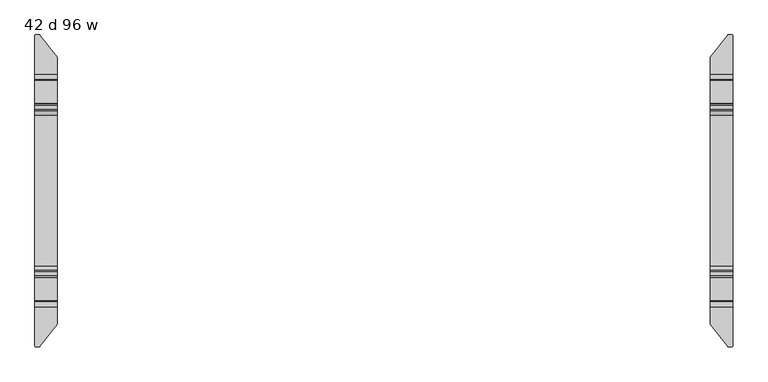
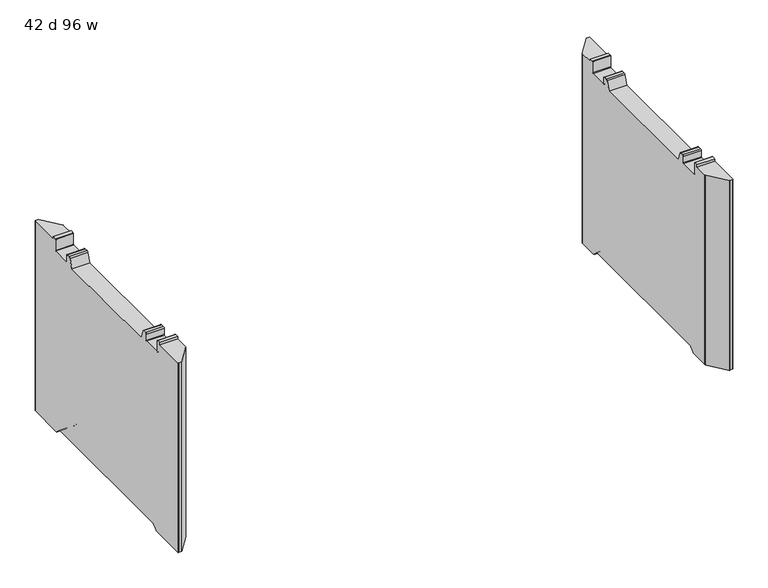
"""IFC4 building model written with IfcOpenShell, lengths in millimetres: furniture geometry, 42 d 96 w."""

from ifc_helpers import new_model, si_unit, frame, origin, place, context, project, spatial, polyline, circle_curve, source, transform, mapped, element, save
from ifc_brep_helpers import plane_surface, cylinder_surface, revolved_surface, advanced_brep


def furniture_42_d_96_w_686d7e6b(model_context):
    return source(origin(), model_context, "Body", "AdvancedBrep", [
        advanced_brep(
        [(-1170.3161014, 529.956006, 12.2237497), (-1168.6757746, 529.1624669, 12.2237497), (-1109.4991168, 454.41303, 12.2237497), (-1108.9789661, 452.9179953, 12.2237497), (-1108.9789661, 371.1587399, 12.2237497), (-1185.1632694, 371.1587399, 12.2237497), (-1185.1632694, 528.3791145, 12.2237497), (-1183.5863779, 529.956006, 12.2237497), (-1108.9789661, -452.9179953, 12.2237497), (-1109.4991168, -454.41303, 12.2237497), (-1168.6757746, -529.1624669, 12.2237497), (-1170.3161014, -529.956006, 12.2237497), (-1183.5863779, -529.956006, 12.2237497), (-1185.1632694, -528.3791145, 12.2237497), (-1185.1632694, -371.1587399, 12.2237497), (-1108.9789661, -371.1587399, 12.2237497), (-1183.5863779, 529.956006, 868.6901447), (-1170.3161014, 529.956006, 868.6901447), (-1185.1632694, 528.3791145, 868.6901447), (-1185.1632694, 365.9594731, 14.3773565), (-1185.1632694, 349.4848361, 30.8519935), (-1185.1632694, 344.250421, 33.0201593), (-1185.1632694, -344.250421, 33.0201593), (-1185.1632694, -349.4848361, 30.8519935), (-1185.1632694, -365.9594731, 14.3773565), (-1185.1632694, -528.3791145, 868.6901447), (-1185.1632694, -394.3440074, 868.6901447), (-1185.1632694, -394.3440074, 879.7001558), (-1185.1632694, -378.4559965, 879.7001558), (-1185.1632694, -376.4560005, 877.7001598), (-1185.1632694, -376.4560005, 828.2251456), (-1185.1632694, -374.4560045, 826.2251495), (-1185.1632694, -296.4560008, 826.2251495), (-1185.1632694, -294.4560002, 828.2251501), (-1185.1632694, -294.4560002, 856.2251352), (-1185.1632694, -289.455942, 861.2251934), (-1185.1632694, -275.9023259, 861.2251934), (-1185.1632694, -269.935277, 857.0470192), (-1185.1632694, -255.8052798, 818.2251291), (-1185.1632694, 255.8052798, 818.2251291), (-1185.1632694, 269.935277, 857.0470192), (-1185.1632694, 275.9023259, 861.2251934), (-1185.1632694, 289.455942, 861.2251934), (-1185.1632694, 294.4560002, 856.2251352), (-1185.1632694, 294.4560002, 828.2251501), (-1185.1632694, 296.4560008, 826.2251495), (-1185.1632694, 374.4560045, 826.2251495), (-1185.1632694, 376.4560005, 828.2251456), (-1185.1632694, 376.4560005, 877.7001598), (-1185.1632694, 378.4559965, 879.7001558), (-1185.1632694, 394.3440074, 879.7001558), (-1185.1632694, 394.3440074, 868.6901447), (-1183.5863779, -529.956006, 868.6901447), (-1170.3161014, -529.956006, 868.6901447), (-1168.6757746, -529.1624669, 868.6901447), (-1109.4991168, -454.41303, 868.6901447), (-1108.9789661, -452.9179953, 868.6901447), (-1108.9789661, -365.9594731, 14.3773565), (-1108.9789661, -349.4848361, 30.8519935), (-1108.9789661, -344.250421, 33.0201593), (-1108.9789661, 344.250421, 33.0201593), (-1108.9789661, 349.4848361, 30.8519935), (-1108.9789661, 365.9594731, 14.3773565), (-1108.9789661, 452.9179953, 868.6901447), (-1108.9789661, 394.3440074, 868.6901447), (-1108.9789661, 394.3440074, 879.7001558), (-1108.9789661, 378.4559965, 879.7001558), (-1108.9789661, 376.4560005, 877.7001598), (-1108.9789661, 376.4560005, 828.2251456), (-1108.9789661, 374.4560045, 826.2251495), (-1108.9789661, 296.4560008, 826.2251495), (-1108.9789661, 294.4560002, 828.2251501), (-1108.9789661, 294.4560002, 856.2251352), (-1108.9789661, 289.455942, 861.2251934), (-1108.9789661, 275.9023259, 861.2251934), (-1108.9789661, 269.935277, 857.0470192), (-1108.9789661, 255.8052798, 818.2251291), (-1108.9789661, -255.8052798, 818.2251291), (-1108.9789661, -269.935277, 857.0470192), (-1108.9789661, -275.9023259, 861.2251934), (-1108.9789661, -289.455942, 861.2251934), (-1108.9789661, -294.4560002, 856.2251352), (-1108.9789661, -294.4560002, 828.2251501), (-1108.9789661, -296.4560008, 826.2251495), (-1108.9789661, -374.4560045, 826.2251495), (-1108.9789661, -376.4560005, 828.2251456), (-1108.9789661, -376.4560005, 877.7001598), (-1108.9789661, -378.4559965, 879.7001558), (-1108.9789661, -394.3440074, 879.7001558), (-1108.9789661, -394.3440074, 868.6901447), (-1109.4991168, 454.41303, 868.6901447), (-1168.6757746, 529.1624669, 868.6901447)],
        [
            (0, 1, circle_curve(frame((-1170.3161014, 527.8638745, 12.2237497), z_axis=(0.0, 0.0, -1.0), x_axis=(-1.0, 0.0, 0.0)), 2.0921315)),
            (1, 2),
            (2, 3, circle_curve(frame((-1111.387581, 452.9179953, 12.2237497), z_axis=(0.0, 0.0, -1.0), x_axis=(-1.0, 0.0, 0.0)), 2.4086149)),
            (3, 4),
            (4, 5),
            (5, 6),
            (6, 7, circle_curve(frame((-1183.5863779, 528.3791145, 12.2237497), z_axis=(0.0, 0.0, -1.0), x_axis=(-1.0, 0.0, 0.0)), 1.5768915)),
            (7, 0),
            (8, 9, circle_curve(frame((-1111.387581, -452.9179953, 12.2237497), z_axis=(0.0, 0.0, -1.0), x_axis=(-1.0, 0.0, 0.0)), 2.4086149)),
            (9, 10),
            (10, 11, circle_curve(frame((-1170.3161014, -527.8638745, 12.2237497), z_axis=(0.0, 0.0, -1.0), x_axis=(-1.0, 0.0, 0.0)), 2.0921315)),
            (11, 12),
            (12, 13, circle_curve(frame((-1183.5863779, -528.3791145, 12.2237497), z_axis=(0.0, 0.0, -1.0), x_axis=(-1.0, 0.0, 0.0)), 1.5768915)),
            (13, 14),
            (14, 15),
            (15, 8),
            (7, 16),
            (16, 17),
            (17, 0),
            (6, 18),
            (18, 16, circle_curve(frame((-1183.5863779, 528.3791145, 868.6901447), z_axis=(0.0, 0.0, -1.0), x_axis=(-1.0, 0.0, 0.0)), 1.5768915)),
            (5, 19, circle_curve(frame((-1185.1632694, 371.1587399, 19.5766232), z_axis=(-1.0, 0.0, 0.0), x_axis=(0.0, -1.0, 0.0)), 7.3528735)),
            (19, 20),
            (20, 21, circle_curve(frame((-1185.1632694, 344.250421, 25.6175784), z_axis=(1.0, 0.0, 0.0), x_axis=(0.0, -1.0, 0.0)), 7.4025809)),
            (21, 22),
            (22, 23, circle_curve(frame((-1185.1632694, -344.250421, 25.6175784), z_axis=(1.0, 0.0, 0.0), x_axis=(0.0, -1.0, 0.0)), 7.4025809)),
            (23, 24),
            (24, 14, circle_curve(frame((-1185.1632694, -371.1587399, 19.5766232), z_axis=(-1.0, 0.0, 0.0), x_axis=(0.0, -1.0, 0.0)), 7.3528735)),
            (13, 25),
            (25, 26),
            (26, 27),
            (27, 28),
            (28, 29, circle_curve(frame((-1185.1632694, -378.4559965, 877.7001598), z_axis=(-1.0, 0.0, 0.0), x_axis=(0.0, -1.0, 0.0)), 1.999996)),
            (29, 30),
            (30, 31, circle_curve(frame((-1185.1632694, -374.4560045, 828.2251456), z_axis=(1.0, 0.0, 0.0), x_axis=(0.0, -1.0, 0.0)), 1.999996)),
            (31, 32),
            (32, 33, circle_curve(frame((-1185.1632694, -296.4560008, 828.2251501), z_axis=(1.0, 0.0, 0.0), x_axis=(0.0, -1.0, 0.0)), 2.0000006)),
            (33, 34),
            (34, 35, circle_curve(frame((-1185.1632694, -289.455942, 856.2251352), z_axis=(-1.0, 0.0, 0.0), x_axis=(0.0, -1.0, 0.0)), 5.0000582)),
            (35, 36),
            (36, 37, circle_curve(frame((-1185.1632694, -275.9023259, 854.8751934), z_axis=(-1.0, 0.0, 0.0), x_axis=(0.0, -1.0, 0.0)), 6.35)),
            (37, 38),
            (38, 39),
            (39, 40),
            (40, 41, circle_curve(frame((-1185.1632694, 275.9023259, 854.8751934), z_axis=(-1.0, 0.0, 0.0), x_axis=(0.0, -1.0, 0.0)), 6.35)),
            (41, 42),
            (42, 43, circle_curve(frame((-1185.1632694, 289.455942, 856.2251352), z_axis=(-1.0, 0.0, 0.0), x_axis=(0.0, -1.0, 0.0)), 5.0000582)),
            (43, 44),
            (44, 45, circle_curve(frame((-1185.1632694, 296.4560008, 828.2251501), z_axis=(1.0, 0.0, 0.0), x_axis=(0.0, -1.0, 0.0)), 2.0000006)),
            (45, 46),
            (46, 47, circle_curve(frame((-1185.1632694, 374.4560045, 828.2251456), z_axis=(1.0, 0.0, 0.0), x_axis=(0.0, -1.0, 0.0)), 1.999996)),
            (47, 48),
            (48, 49, circle_curve(frame((-1185.1632694, 378.4559965, 877.7001598), z_axis=(-1.0, 0.0, 0.0), x_axis=(0.0, -1.0, 0.0)), 1.999996)),
            (49, 50),
            (50, 51),
            (51, 18),
            (12, 52),
            (52, 25, circle_curve(frame((-1183.5863779, -528.3791145, 868.6901447), z_axis=(0.0, 0.0, -1.0), x_axis=(-1.0, 0.0, 0.0)), 1.5768915)),
            (11, 53),
            (53, 52),
            (10, 54),
            (54, 53, circle_curve(frame((-1170.3161014, -527.8638745, 868.6901447), z_axis=(0.0, 0.0, -1.0), x_axis=(-1.0, 0.0, 0.0)), 2.0921315)),
            (9, 55),
            (55, 54),
            (8, 56),
            (56, 55, circle_curve(frame((-1111.387581, -452.9179953, 868.6901447), z_axis=(0.0, 0.0, -1.0), x_axis=(-1.0, 0.0, 0.0)), 2.4086149)),
            (15, 57, circle_curve(frame((-1108.9789661, -371.1587399, 19.5766232), z_axis=(1.0, 0.0, 0.0), x_axis=(0.0, -1.0, 0.0)), 7.3528735)),
            (57, 58),
            (58, 59, circle_curve(frame((-1108.9789661, -344.250421, 25.6175784), z_axis=(-1.0, 0.0, 0.0), x_axis=(0.0, -1.0, 0.0)), 7.4025809)),
            (59, 60),
            (60, 61, circle_curve(frame((-1108.9789661, 344.250421, 25.6175784), z_axis=(-1.0, 0.0, 0.0), x_axis=(0.0, -1.0, 0.0)), 7.4025809)),
            (61, 62),
            (62, 4, circle_curve(frame((-1108.9789661, 371.1587399, 19.5766232), z_axis=(1.0, 0.0, 0.0), x_axis=(0.0, -1.0, 0.0)), 7.3528735)),
            (3, 63),
            (63, 64),
            (64, 65),
            (65, 66),
            (66, 67, circle_curve(frame((-1108.9789661, 378.4559965, 877.7001598), z_axis=(1.0, 0.0, 0.0), x_axis=(0.0, -1.0, 0.0)), 1.999996)),
            (67, 68),
            (68, 69, circle_curve(frame((-1108.9789661, 374.4560045, 828.2251456), z_axis=(-1.0, 0.0, 0.0), x_axis=(0.0, -1.0, 0.0)), 1.999996)),
            (69, 70),
            (70, 71, circle_curve(frame((-1108.9789661, 296.4560008, 828.2251501), z_axis=(-1.0, 0.0, 0.0), x_axis=(0.0, -1.0, 0.0)), 2.0000006)),
            (71, 72),
            (72, 73, circle_curve(frame((-1108.9789661, 289.455942, 856.2251352), z_axis=(1.0, 0.0, 0.0), x_axis=(0.0, -1.0, 0.0)), 5.0000582)),
            (73, 74),
            (74, 75, circle_curve(frame((-1108.9789661, 275.9023259, 854.8751934), z_axis=(1.0, 0.0, 0.0), x_axis=(0.0, -1.0, 0.0)), 6.35)),
            (75, 76),
            (76, 77),
            (77, 78),
            (78, 79, circle_curve(frame((-1108.9789661, -275.9023259, 854.8751934), z_axis=(1.0, 0.0, 0.0), x_axis=(0.0, -1.0, 0.0)), 6.35)),
            (79, 80),
            (80, 81, circle_curve(frame((-1108.9789661, -289.455942, 856.2251352), z_axis=(1.0, 0.0, 0.0), x_axis=(0.0, -1.0, 0.0)), 5.0000582)),
            (81, 82),
            (82, 83, circle_curve(frame((-1108.9789661, -296.4560008, 828.2251501), z_axis=(-1.0, 0.0, 0.0), x_axis=(0.0, -1.0, 0.0)), 2.0000006)),
            (83, 84),
            (84, 85, circle_curve(frame((-1108.9789661, -374.4560045, 828.2251456), z_axis=(-1.0, 0.0, 0.0), x_axis=(0.0, -1.0, 0.0)), 1.999996)),
            (85, 86),
            (86, 87, circle_curve(frame((-1108.9789661, -378.4559965, 877.7001598), z_axis=(1.0, 0.0, 0.0), x_axis=(0.0, -1.0, 0.0)), 1.999996)),
            (87, 88),
            (88, 89),
            (89, 56),
            (2, 90),
            (90, 63, circle_curve(frame((-1111.387581, 452.9179953, 868.6901447), z_axis=(0.0, 0.0, -1.0), x_axis=(-1.0, 0.0, 0.0)), 2.4086149)),
            (1, 91),
            (91, 90),
            (17, 91, circle_curve(frame((-1170.3161014, 527.8638745, 868.6901447), z_axis=(0.0, 0.0, -1.0), x_axis=(-1.0, 0.0, 0.0)), 2.0921315)),
            (50, 65),
            (64, 51),
            (89, 26),
            (88, 27),
            (87, 28),
            (86, 29),
            (85, 30),
            (84, 31),
            (83, 32),
            (82, 33),
            (81, 34),
            (80, 35),
            (79, 36),
            (78, 37),
            (77, 38),
            (76, 39),
            (75, 40),
            (74, 41),
            (73, 42),
            (72, 43),
            (71, 44),
            (70, 45),
            (69, 46),
            (68, 47),
            (67, 48),
            (66, 49),
            (19, 62),
            (61, 20),
            (60, 21),
            (59, 22),
            (58, 23),
            (57, 24),
        ],
        [
            plane_surface(frame((-1183.5863779, 529.956006, 12.2237497), z_axis=(0.0, 0.0, -1.0), x_axis=(1.0, 0.0, 0.0))),
            plane_surface(frame((-1170.3161014, 529.956006, 884.8344355), z_axis=(0.0, 1.0, 0.0), x_axis=(0.0, 0.0, -1.0))),
            cylinder_surface(frame((-1183.5863779, 528.3791145, 12.2237497), z_axis=(0.0, 0.0, 1.0), x_axis=(-1.0, 0.0, 0.0)), 1.5768915),
            plane_surface(frame((-1185.1632694, 528.3791145, 884.8344355), z_axis=(-1.0, 0.0, 0.0), x_axis=(0.0, 0.0, -1.0))),
            cylinder_surface(frame((-1183.5863779, -528.3791145, 12.2237497), z_axis=(0.0, 0.0, 1.0), x_axis=(-1.0, 0.0, 0.0)), 1.5768915),
            plane_surface(frame((-1183.5863779, -529.956006, 884.8344355), z_axis=(0.0, -1.0, 0.0), x_axis=(0.0, 0.0, -1.0))),
            cylinder_surface(frame((-1170.3161014, -527.8638745, 12.2237497), z_axis=(0.0, 0.0, 1.0), x_axis=(-1.0, 0.0, 0.0)), 2.0921315),
            plane_surface(frame((-1168.6757746, -529.1624669, 884.8344355), z_axis=(0.7840457211746513, -0.6207030748334674, 0.0), x_axis=(0.0, 0.0, -1.0))),
            cylinder_surface(frame((-1111.387581, -452.9179953, 12.2237497), z_axis=(0.0, 0.0, 1.0), x_axis=(-1.0, 0.0, 0.0)), 2.4086149),
            plane_surface(frame((-1108.9789661, -452.9179953, 884.8344355), z_axis=(1.0, 0.0, 0.0), x_axis=(0.0, 0.0, -1.0))),
            cylinder_surface(frame((-1111.387581, 452.9179953, 12.2237497), z_axis=(0.0, 0.0, 1.0), x_axis=(-1.0, 0.0, 0.0)), 2.4086149),
            plane_surface(frame((-1109.4991168, 454.41303, 884.8344355), z_axis=(0.7840457211746482, 0.6207030748334712, 0.0), x_axis=(0.0, 0.0, -1.0))),
            cylinder_surface(frame((-1170.3161014, 527.8638745, 12.2237497), z_axis=(0.0, 0.0, 1.0), x_axis=(-1.0, 0.0, 0.0)), 2.0921315),
            plane_surface(frame((1185.1632694, 394.3440074, 879.7001558), z_axis=(0.0, 1.0, 0.0), x_axis=(-1.0, 0.0, 0.0))),
            plane_surface(frame((1185.1632694, 394.3440074, 868.6901447), z_axis=(0.0, 0.0, 1.0), x_axis=(-1.0, 0.0, 0.0))),
            plane_surface(frame((1185.1632694, -531.3440027, 868.6901447), z_axis=(0.0, 0.0, 1.0), x_axis=(-1.0, 0.0, 0.0))),
            plane_surface(frame((1185.1632694, -394.3440074, 868.6901447), z_axis=(0.0, -1.0, 0.0), x_axis=(-1.0, 0.0, 0.0))),
            plane_surface(frame((1185.1632694, -394.3440074, 879.7001558), z_axis=(0.0, 0.0, 1.0), x_axis=(-1.0, 0.0, 0.0))),
            cylinder_surface(frame((1185.1632694, -378.4559965, 877.7001598), z_axis=(-1.0, 0.0, 0.0), x_axis=(0.0, -1.0, 0.0)), 1.999996),
            plane_surface(frame((1185.1632694, -376.4560005, 877.7001598), z_axis=(0.0, 1.0, 0.0), x_axis=(-1.0, 0.0, 0.0))),
            revolved_surface(polyline([(-1108.9789661, -376.4560005, 828.2251456), (-1185.1632694, -376.4560005, 828.2251456)]), (1185.1632694, -374.4560045, 828.2251456), (1.0, 0.0, 0.0)),
            plane_surface(frame((1185.1632694, -374.4560045, 826.2251495), z_axis=(0.0, 0.0, 1.0), x_axis=(-1.0, 0.0, 0.0))),
            revolved_surface(polyline([(-1108.9789661, -298.45600140000005, 828.2251501), (-1185.1632694, -298.45600140000005, 828.2251501)]), (1185.1632694, -296.4560008, 828.2251501), (1.0, 0.0, 0.0)),
            plane_surface(frame((1185.1632694, -294.4560002, 828.2251501), z_axis=(0.0, -1.0, 0.0), x_axis=(-1.0, 0.0, 0.0))),
            cylinder_surface(frame((1185.1632694, -289.455942, 856.2251352), z_axis=(-1.0, 0.0, 0.0), x_axis=(0.0, -1.0, 0.0)), 5.0000582),
            plane_surface(frame((1185.1632694, -289.455942, 861.2251934), z_axis=(0.0, 0.0, 1.0), x_axis=(-1.0, 0.0, 0.0))),
            cylinder_surface(frame((1185.1632694, -275.9023259, 854.8751934), z_axis=(-1.0, 0.0, 0.0), x_axis=(0.0, -1.0, 0.0)), 6.35),
            plane_surface(frame((1185.1632694, -269.935277, 857.0470192), z_axis=(0.0, 0.9396927394269934, 0.34201981736179105), x_axis=(-1.0, 0.0, 0.0))),
            plane_surface(frame((1185.1632694, -255.8052798, 818.2251291), z_axis=(0.0, 0.0, 1.0), x_axis=(-1.0, 0.0, 0.0))),
            plane_surface(frame((1185.1632694, 255.8052798, 818.2251291), z_axis=(0.0, -0.9396927394269924, 0.3420198173617935), x_axis=(-1.0, 0.0, 0.0))),
            cylinder_surface(frame((1185.1632694, 275.9023259, 854.8751934), z_axis=(-1.0, 0.0, 0.0), x_axis=(0.0, -1.0, 0.0)), 6.35),
            plane_surface(frame((1185.1632694, 275.9023259, 861.2251934), z_axis=(0.0, 0.0, 1.0), x_axis=(-1.0, 0.0, 0.0))),
            cylinder_surface(frame((1185.1632694, 289.455942, 856.2251352), z_axis=(-1.0, 0.0, 0.0), x_axis=(0.0, -1.0, 0.0)), 5.0000582),
            plane_surface(frame((1185.1632694, 294.4560002, 856.2251352), z_axis=(0.0, 1.0, 0.0), x_axis=(-1.0, 0.0, 0.0))),
            revolved_surface(polyline([(-1108.9789661, 294.4560002, 828.2251501), (-1185.1632694, 294.4560002, 828.2251501)]), (1185.1632694, 296.4560008, 828.2251501), (1.0, 0.0, 0.0)),
            plane_surface(frame((1185.1632694, 296.4560008, 826.2251495), z_axis=(0.0, 0.0, 1.0), x_axis=(-1.0, 0.0, 0.0))),
            revolved_surface(polyline([(-1108.9789661, 372.4560085, 828.2251456), (-1185.1632694, 372.4560085, 828.2251456)]), (1185.1632694, 374.4560045, 828.2251456), (1.0, 0.0, 0.0)),
            plane_surface(frame((1185.1632694, 376.4560005, 828.2251456), z_axis=(0.0, -1.0, 0.0), x_axis=(-1.0, 0.0, 0.0))),
            cylinder_surface(frame((1185.1632694, 378.4559965, 877.7001598), z_axis=(-1.0, 0.0, 0.0), x_axis=(0.0, -1.0, 0.0)), 1.999996),
            plane_surface(frame((1185.1632694, 378.4559965, 879.7001558), z_axis=(0.0, 0.0, 1.0), x_axis=(-1.0, 0.0, 0.0))),
            plane_surface(frame((1185.1632694, 365.9594731, 14.3773565), z_axis=(0.0, -0.7071067811865475, -0.7071067811865476), x_axis=(-1.0, 0.0, 0.0))),
            revolved_surface(polyline([(-1108.9789661, 336.84784010000004, 25.6175784), (-1185.1632694, 336.84784010000004, 25.6175784)]), (1185.1632694, 344.250421, 25.6175784), (1.0, 0.0, 0.0)),
            plane_surface(frame((1185.1632694, 344.250421, 33.0201593), z_axis=(0.0, 0.0, -1.0), x_axis=(-1.0, 0.0, 0.0))),
            revolved_surface(polyline([(-1108.9789661, -351.6530019, 25.6175784), (-1185.1632694, -351.6530019, 25.6175784)]), (1185.1632694, -344.250421, 25.6175784), (1.0, 0.0, 0.0)),
            plane_surface(frame((1185.1632694, -349.4848361, 30.8519935), z_axis=(0.0, 0.7071067811865452, -0.7071067811865499), x_axis=(-1.0, 0.0, 0.0))),
            cylinder_surface(frame((1185.1632694, -371.1587399, 19.5766232), z_axis=(-1.0, 0.0, 0.0), x_axis=(0.0, -1.0, 0.0)), 7.3528735),
            cylinder_surface(frame((1185.1632694, 371.1587399, 19.5766232), z_axis=(-1.0, 0.0, 0.0), x_axis=(0.0, -1.0, 0.0)), 7.3528735),
        ],
        [
            (0, [[1, 2, 3, 4, 5, 6, 7, 8]]),
            (0, [[9, 10, 11, 12, 13, 14, 15, 16]]),
            (1, [[-8, 17, 18, 19]]),
            (2, [[-7, 20, 21, -17]]),
            (3, [[-20, -6, 22, 23, 24, 25, 26, 27, 28, -14, 29, 30, 31, 32, 33, 34, 35, 36, 37, 38, 39, 40, 41, 42, 43, 44, 45, 46, 47, 48, 49, 50, 51, 52, 53, 54, 55, 56]]),
            (4, [[-13, 57, 58, -29]]),
            (5, [[-12, 59, 60, -57]]),
            (6, [[-11, 61, 62, -59]]),
            (7, [[-10, 63, 64, -61]]),
            (8, [[-9, 65, 66, -63]]),
            (9, [[-65, -16, 67, 68, 69, 70, 71, 72, 73, -4, 74, 75, 76, 77, 78, 79, 80, 81, 82, 83, 84, 85, 86, 87, 88, 89, 90, 91, 92, 93, 94, 95, 96, 97, 98, 99, 100, 101]]),
            (10, [[-3, 102, 103, -74]]),
            (11, [[-2, 104, 105, -102]]),
            (12, [[-1, -19, 106, -104]]),
            (13, [[107, -76, 108, -55]]),
            (14, [[-108, -75, -103, -105, -106, -18, -21, -56]]),
            (15, [[109, -30, -58, -60, -62, -64, -66, -101]]),
            (16, [[-109, -100, 110, -31]]),
            (17, [[-110, -99, 111, -32]]),
            (18, [[-111, -98, 112, -33]]),
            (19, [[-112, -97, 113, -34]]),
            (20, [[-113, -96, 114, -35]]),
            (21, [[-114, -95, 115, -36]]),
            (22, [[-115, -94, 116, -37]]),
            (23, [[-116, -93, 117, -38]]),
            (24, [[-117, -92, 118, -39]]),
            (25, [[-118, -91, 119, -40]]),
            (26, [[-119, -90, 120, -41]]),
            (27, [[-120, -89, 121, -42]]),
            (28, [[-121, -88, 122, -43]]),
            (29, [[-122, -87, 123, -44]]),
            (30, [[-123, -86, 124, -45]]),
            (31, [[-124, -85, 125, -46]]),
            (32, [[-125, -84, 126, -47]]),
            (33, [[-126, -83, 127, -48]]),
            (34, [[-127, -82, 128, -49]]),
            (35, [[-128, -81, 129, -50]]),
            (36, [[-129, -80, 130, -51]]),
            (37, [[-130, -79, 131, -52]]),
            (38, [[-131, -78, 132, -53]]),
            (39, [[-107, -54, -132, -77]]),
            (40, [[133, -72, 134, -23]]),
            (41, [[-134, -71, 135, -24]]),
            (42, [[-135, -70, 136, -25]]),
            (43, [[-136, -69, 137, -26]]),
            (44, [[-137, -68, 138, -27]]),
            (45, [[-138, -67, -15, -28]]),
            (46, [[-133, -22, -5, -73]]),
        ],
    ),
        advanced_brep(
        [(1170.3161014, 529.956006, 12.2237497), (1183.5863779, 529.956006, 12.2237497), (1185.1632694, 528.3791145, 12.2237497), (1185.1632694, 371.1587399, 12.2237497), (1108.9789661, 371.1587399, 12.2237497), (1108.9789661, 452.9179953, 12.2237497), (1109.4991168, 454.41303, 12.2237497), (1168.6757746, 529.1624669, 12.2237497), (1185.1632694, -528.3791145, 12.2237497), (1183.5863779, -529.956006, 12.2237497), (1170.3161014, -529.956006, 12.2237497), (1168.6757746, -529.1624669, 12.2237497), (1109.4991168, -454.41303, 12.2237497), (1108.9789661, -452.9179953, 12.2237497), (1108.9789661, -371.1587399, 12.2237497), (1185.1632694, -371.1587399, 12.2237497), (1168.6757746, 529.1624669, 868.6901447), (1170.3161014, 529.956006, 868.6901447), (1109.4991168, 454.41303, 868.6901447), (1108.9789661, 452.9179953, 868.6901447), (1108.9789661, 365.9594731, 14.3773565), (1108.9789661, 349.4848361, 30.8519935), (1108.9789661, 344.250421, 33.0201593), (1108.9789661, -344.250421, 33.0201593), (1108.9789661, -349.4848361, 30.8519935), (1108.9789661, -365.9594731, 14.3773565), (1108.9789661, -452.9179953, 868.6901447), (1108.9789661, -394.3440074, 868.6901447), (1108.9789661, -394.3440074, 879.7001558), (1108.9789661, -378.4559965, 879.7001558), (1108.9789661, -376.4560005, 877.7001598), (1108.9789661, -376.4560005, 828.2251456), (1108.9789661, -374.4560045, 826.2251495), (1108.9789661, -296.4560008, 826.2251495), (1108.9789661, -294.4560002, 828.2251501), (1108.9789661, -294.4560002, 856.2251352), (1108.9789661, -289.455942, 861.2251934), (1108.9789661, -275.9023259, 861.2251934), (1108.9789661, -269.935277, 857.0470192), (1108.9789661, -255.8052798, 818.2251291), (1108.9789661, 255.8052798, 818.2251291), (1108.9789661, 269.935277, 857.0470192), (1108.9789661, 275.9023259, 861.2251934), (1108.9789661, 289.455942, 861.2251934), (1108.9789661, 294.4560002, 856.2251352), (1108.9789661, 294.4560002, 828.2251501), (1108.9789661, 296.4560008, 826.2251495), (1108.9789661, 374.4560045, 826.2251495), (1108.9789661, 376.4560005, 828.2251456), (1108.9789661, 376.4560005, 877.7001598), (1108.9789661, 378.4559965, 879.7001558), (1108.9789661, 394.3440074, 879.7001558), (1108.9789661, 394.3440074, 868.6901447), (1109.4991168, -454.41303, 868.6901447), (1168.6757746, -529.1624669, 868.6901447), (1170.3161014, -529.956006, 868.6901447), (1183.5863779, -529.956006, 868.6901447), (1185.1632694, -528.3791145, 868.6901447), (1185.1632694, -365.9594731, 14.3773565), (1185.1632694, -349.4848361, 30.8519935), (1185.1632694, -344.250421, 33.0201593), (1185.1632694, 344.250421, 33.0201593), (1185.1632694, 349.4848361, 30.8519935), (1185.1632694, 365.9594731, 14.3773565), (1185.1632694, 528.3791145, 868.6901447), (1185.1632694, 394.3440074, 868.6901447), (1185.1632694, 394.3440074, 879.7001558), (1185.1632694, 378.4559965, 879.7001558), (1185.1632694, 376.4560005, 877.7001598), (1185.1632694, 376.4560005, 828.2251456), (1185.1632694, 374.4560045, 826.2251495), (1185.1632694, 296.4560008, 826.2251495), (1185.1632694, 294.4560002, 828.2251501), (1185.1632694, 294.4560002, 856.2251352), (1185.1632694, 289.455942, 861.2251934), (1185.1632694, 275.9023259, 861.2251934), (1185.1632694, 269.935277, 857.0470192), (1185.1632694, 255.8052798, 818.2251291), (1185.1632694, -255.8052798, 818.2251291), (1185.1632694, -269.935277, 857.0470192), (1185.1632694, -275.9023259, 861.2251934), (1185.1632694, -289.455942, 861.2251934), (1185.1632694, -294.4560002, 856.2251352), (1185.1632694, -294.4560002, 828.2251501), (1185.1632694, -296.4560008, 826.2251495), (1185.1632694, -374.4560045, 826.2251495), (1185.1632694, -376.4560005, 828.2251456), (1185.1632694, -376.4560005, 877.7001598), (1185.1632694, -378.4559965, 879.7001558), (1185.1632694, -394.3440074, 879.7001558), (1185.1632694, -394.3440074, 868.6901447), (1183.5863779, 529.956006, 868.6901447)],
        [
            (0, 1),
            (1, 2, circle_curve(frame((1183.5863779, 528.3791145, 12.2237497), z_axis=(0.0, 0.0, -1.0), x_axis=(-1.0, 0.0, 0.0)), 1.5768915)),
            (2, 3),
            (3, 4),
            (4, 5),
            (5, 6, circle_curve(frame((1111.387581, 452.9179953, 12.2237497), z_axis=(0.0, 0.0, -1.0), x_axis=(-1.0, 0.0, 0.0)), 2.4086149)),
            (6, 7),
            (7, 0, circle_curve(frame((1170.3161014, 527.8638745, 12.2237497), z_axis=(0.0, 0.0, -1.0), x_axis=(-1.0, 0.0, 0.0)), 2.0921315)),
            (8, 9, circle_curve(frame((1183.5863779, -528.3791145, 12.2237497), z_axis=(0.0, 0.0, -1.0), x_axis=(-1.0, 0.0, 0.0)), 1.5768915)),
            (9, 10),
            (10, 11, circle_curve(frame((1170.3161014, -527.8638745, 12.2237497), z_axis=(0.0, 0.0, -1.0), x_axis=(-1.0, 0.0, 0.0)), 2.0921315)),
            (11, 12),
            (12, 13, circle_curve(frame((1111.387581, -452.9179953, 12.2237497), z_axis=(0.0, 0.0, -1.0), x_axis=(-1.0, 0.0, 0.0)), 2.4086149)),
            (13, 14),
            (14, 15),
            (15, 8),
            (7, 16),
            (16, 17, circle_curve(frame((1170.3161014, 527.8638745, 868.6901447), z_axis=(0.0, 0.0, -1.0), x_axis=(-1.0, 0.0, 0.0)), 2.0921315)),
            (17, 0),
            (6, 18),
            (18, 16),
            (5, 19),
            (19, 18, circle_curve(frame((1111.387581, 452.9179953, 868.6901447), z_axis=(0.0, 0.0, -1.0), x_axis=(-1.0, 0.0, 0.0)), 2.4086149)),
            (4, 20, circle_curve(frame((1108.9789661, 371.1587399, 19.5766232), z_axis=(-1.0, 0.0, 0.0), x_axis=(0.0, -1.0, 0.0)), 7.3528735)),
            (20, 21),
            (21, 22, circle_curve(frame((1108.9789661, 344.250421, 25.6175784), z_axis=(1.0, 0.0, 0.0), x_axis=(0.0, -1.0, 0.0)), 7.4025809)),
            (22, 23),
            (23, 24, circle_curve(frame((1108.9789661, -344.250421, 25.6175784), z_axis=(1.0, 0.0, 0.0), x_axis=(0.0, -1.0, 0.0)), 7.4025809)),
            (24, 25),
            (25, 14, circle_curve(frame((1108.9789661, -371.1587399, 19.5766232), z_axis=(-1.0, 0.0, 0.0), x_axis=(0.0, -1.0, 0.0)), 7.3528735)),
            (13, 26),
            (26, 27),
            (27, 28),
            (28, 29),
            (29, 30, circle_curve(frame((1108.9789661, -378.4559965, 877.7001598), z_axis=(-1.0, 0.0, 0.0), x_axis=(0.0, -1.0, 0.0)), 1.999996)),
            (30, 31),
            (31, 32, circle_curve(frame((1108.9789661, -374.4560045, 828.2251456), z_axis=(1.0, 0.0, 0.0), x_axis=(0.0, -1.0, 0.0)), 1.999996)),
            (32, 33),
            (33, 34, circle_curve(frame((1108.9789661, -296.4560008, 828.2251501), z_axis=(1.0, 0.0, 0.0), x_axis=(0.0, -1.0, 0.0)), 2.0000006)),
            (34, 35),
            (35, 36, circle_curve(frame((1108.9789661, -289.455942, 856.2251352), z_axis=(-1.0, 0.0, 0.0), x_axis=(0.0, -1.0, 0.0)), 5.0000582)),
            (36, 37),
            (37, 38, circle_curve(frame((1108.9789661, -275.9023259, 854.8751934), z_axis=(-1.0, 0.0, 0.0), x_axis=(0.0, -1.0, 0.0)), 6.35)),
            (38, 39),
            (39, 40),
            (40, 41),
            (41, 42, circle_curve(frame((1108.9789661, 275.9023259, 854.8751934), z_axis=(-1.0, 0.0, 0.0), x_axis=(0.0, -1.0, 0.0)), 6.35)),
            (42, 43),
            (43, 44, circle_curve(frame((1108.9789661, 289.455942, 856.2251352), z_axis=(-1.0, 0.0, 0.0), x_axis=(0.0, -1.0, 0.0)), 5.0000582)),
            (44, 45),
            (45, 46, circle_curve(frame((1108.9789661, 296.4560008, 828.2251501), z_axis=(1.0, 0.0, 0.0), x_axis=(0.0, -1.0, 0.0)), 2.0000006)),
            (46, 47),
            (47, 48, circle_curve(frame((1108.9789661, 374.4560045, 828.2251456), z_axis=(1.0, 0.0, 0.0), x_axis=(0.0, -1.0, 0.0)), 1.999996)),
            (48, 49),
            (49, 50, circle_curve(frame((1108.9789661, 378.4559965, 877.7001598), z_axis=(-1.0, 0.0, 0.0), x_axis=(0.0, -1.0, 0.0)), 1.999996)),
            (50, 51),
            (51, 52),
            (52, 19),
            (12, 53),
            (53, 26, circle_curve(frame((1111.387581, -452.9179953, 868.6901447), z_axis=(0.0, 0.0, -1.0), x_axis=(-1.0, 0.0, 0.0)), 2.4086149)),
            (11, 54),
            (54, 53),
            (10, 55),
            (55, 54, circle_curve(frame((1170.3161014, -527.8638745, 868.6901447), z_axis=(0.0, 0.0, -1.0), x_axis=(-1.0, 0.0, 0.0)), 2.0921315)),
            (9, 56),
            (56, 55),
            (8, 57),
            (57, 56, circle_curve(frame((1183.5863779, -528.3791145, 868.6901447), z_axis=(0.0, 0.0, -1.0), x_axis=(-1.0, 0.0, 0.0)), 1.5768915)),
            (15, 58, circle_curve(frame((1185.1632694, -371.1587399, 19.5766232), z_axis=(1.0, 0.0, 0.0), x_axis=(0.0, -1.0, 0.0)), 7.3528735)),
            (58, 59),
            (59, 60, circle_curve(frame((1185.1632694, -344.250421, 25.6175784), z_axis=(-1.0, 0.0, 0.0), x_axis=(0.0, -1.0, 0.0)), 7.4025809)),
            (60, 61),
            (61, 62, circle_curve(frame((1185.1632694, 344.250421, 25.6175784), z_axis=(-1.0, 0.0, 0.0), x_axis=(0.0, -1.0, 0.0)), 7.4025809)),
            (62, 63),
            (63, 3, circle_curve(frame((1185.1632694, 371.1587399, 19.5766232), z_axis=(1.0, 0.0, 0.0), x_axis=(0.0, -1.0, 0.0)), 7.3528735)),
            (2, 64),
            (64, 65),
            (65, 66),
            (66, 67),
            (67, 68, circle_curve(frame((1185.1632694, 378.4559965, 877.7001598), z_axis=(1.0, 0.0, 0.0), x_axis=(0.0, -1.0, 0.0)), 1.999996)),
            (68, 69),
            (69, 70, circle_curve(frame((1185.1632694, 374.4560045, 828.2251456), z_axis=(-1.0, 0.0, 0.0), x_axis=(0.0, -1.0, 0.0)), 1.999996)),
            (70, 71),
            (71, 72, circle_curve(frame((1185.1632694, 296.4560008, 828.2251501), z_axis=(-1.0, 0.0, 0.0), x_axis=(0.0, -1.0, 0.0)), 2.0000006)),
            (72, 73),
            (73, 74, circle_curve(frame((1185.1632694, 289.455942, 856.2251352), z_axis=(1.0, 0.0, 0.0), x_axis=(0.0, -1.0, 0.0)), 5.0000582)),
            (74, 75),
            (75, 76, circle_curve(frame((1185.1632694, 275.9023259, 854.8751934), z_axis=(1.0, 0.0, 0.0), x_axis=(0.0, -1.0, 0.0)), 6.35)),
            (76, 77),
            (77, 78),
            (78, 79),
            (79, 80, circle_curve(frame((1185.1632694, -275.9023259, 854.8751934), z_axis=(1.0, 0.0, 0.0), x_axis=(0.0, -1.0, 0.0)), 6.35)),
            (80, 81),
            (81, 82, circle_curve(frame((1185.1632694, -289.455942, 856.2251352), z_axis=(1.0, 0.0, 0.0), x_axis=(0.0, -1.0, 0.0)), 5.0000582)),
            (82, 83),
            (83, 84, circle_curve(frame((1185.1632694, -296.4560008, 828.2251501), z_axis=(-1.0, 0.0, 0.0), x_axis=(0.0, -1.0, 0.0)), 2.0000006)),
            (84, 85),
            (85, 86, circle_curve(frame((1185.1632694, -374.4560045, 828.2251456), z_axis=(-1.0, 0.0, 0.0), x_axis=(0.0, -1.0, 0.0)), 1.999996)),
            (86, 87),
            (87, 88, circle_curve(frame((1185.1632694, -378.4559965, 877.7001598), z_axis=(1.0, 0.0, 0.0), x_axis=(0.0, -1.0, 0.0)), 1.999996)),
            (88, 89),
            (89, 90),
            (90, 57),
            (1, 91),
            (91, 64, circle_curve(frame((1183.5863779, 528.3791145, 868.6901447), z_axis=(0.0, 0.0, -1.0), x_axis=(-1.0, 0.0, 0.0)), 1.5768915)),
            (17, 91),
            (51, 66),
            (65, 52),
            (90, 27),
            (89, 28),
            (88, 29),
            (87, 30),
            (86, 31),
            (85, 32),
            (84, 33),
            (83, 34),
            (82, 35),
            (81, 36),
            (80, 37),
            (79, 38),
            (78, 39),
            (77, 40),
            (76, 41),
            (75, 42),
            (74, 43),
            (73, 44),
            (72, 45),
            (71, 46),
            (70, 47),
            (69, 48),
            (68, 49),
            (67, 50),
            (20, 63),
            (62, 21),
            (61, 22),
            (60, 23),
            (59, 24),
            (58, 25),
        ],
        [
            plane_surface(frame((-1183.5863779, 529.956006, 12.2237497), z_axis=(0.0, 0.0, -1.0), x_axis=(1.0, 0.0, 0.0))),
            cylinder_surface(frame((1170.3161014, 527.8638745, 12.2237497), z_axis=(0.0, 0.0, 1.0), x_axis=(-1.0, 0.0, 0.0)), 2.0921315),
            plane_surface(frame((1168.6757746, 529.1624669, 884.8344355), z_axis=(-0.7840457211746804, 0.6207030748334307, 0.0), x_axis=(0.0, 0.0, -1.0))),
            cylinder_surface(frame((1111.387581, 452.9179953, 12.2237497), z_axis=(0.0, 0.0, 1.0), x_axis=(-1.0, 0.0, 0.0)), 2.4086149),
            plane_surface(frame((1108.9789661, 452.9179953, 884.8344355), z_axis=(-1.0, 0.0, 0.0), x_axis=(0.0, 0.0, -1.0))),
            cylinder_surface(frame((1111.387581, -452.9179953, 12.2237497), z_axis=(0.0, 0.0, 1.0), x_axis=(-1.0, 0.0, 0.0)), 2.4086149),
            plane_surface(frame((1109.4991168, -454.41303, 884.8344355), z_axis=(-0.7840457211745929, -0.6207030748335413, 0.0), x_axis=(0.0, 0.0, -1.0))),
            cylinder_surface(frame((1170.3161014, -527.8638745, 12.2237497), z_axis=(0.0, 0.0, 1.0), x_axis=(-1.0, 0.0, 0.0)), 2.0921315),
            plane_surface(frame((1170.3161014, -529.956006, 884.8344355), z_axis=(0.0, -1.0, 0.0), x_axis=(0.0, 0.0, -1.0))),
            cylinder_surface(frame((1183.5863779, -528.3791145, 12.2237497), z_axis=(0.0, 0.0, 1.0), x_axis=(-1.0, 0.0, 0.0)), 1.5768915),
            plane_surface(frame((1185.1632694, -528.3791145, 884.8344355), z_axis=(1.0, 0.0, 0.0), x_axis=(0.0, 0.0, -1.0))),
            cylinder_surface(frame((1183.5863779, 528.3791145, 12.2237497), z_axis=(0.0, 0.0, 1.0), x_axis=(-1.0, 0.0, 0.0)), 1.5768915),
            plane_surface(frame((1183.5863779, 529.956006, 884.8344355), z_axis=(0.0, 1.0, 0.0), x_axis=(0.0, 0.0, -1.0))),
            plane_surface(frame((1185.1632694, 394.3440074, 879.7001558), z_axis=(0.0, 1.0, 0.0), x_axis=(-1.0, 0.0, 0.0))),
            plane_surface(frame((1185.1632694, 394.3440074, 868.6901447), z_axis=(0.0, 0.0, 1.0), x_axis=(-1.0, 0.0, 0.0))),
            plane_surface(frame((1185.1632694, -531.3440027, 868.6901447), z_axis=(0.0, 0.0, 1.0), x_axis=(-1.0, 0.0, 0.0))),
            plane_surface(frame((1185.1632694, -394.3440074, 868.6901447), z_axis=(0.0, -1.0, 0.0), x_axis=(-1.0, 0.0, 0.0))),
            plane_surface(frame((1185.1632694, -394.3440074, 879.7001558), z_axis=(0.0, 0.0, 1.0), x_axis=(-1.0, 0.0, 0.0))),
            cylinder_surface(frame((1185.1632694, -378.4559965, 877.7001598), z_axis=(-1.0, 0.0, 0.0), x_axis=(0.0, -1.0, 0.0)), 1.999996),
            plane_surface(frame((1185.1632694, -376.4560005, 877.7001598), z_axis=(0.0, 1.0, 0.0), x_axis=(-1.0, 0.0, 0.0))),
            revolved_surface(polyline([(1185.1632694, -376.4560005, 828.2251456), (1108.9789661, -376.4560005, 828.2251456)]), (1185.1632694, -374.4560045, 828.2251456), (1.0, 0.0, 0.0)),
            plane_surface(frame((1185.1632694, -374.4560045, 826.2251495), z_axis=(0.0, 0.0, 1.0), x_axis=(-1.0, 0.0, 0.0))),
            revolved_surface(polyline([(1185.1632694, -298.45600140000005, 828.2251501), (1108.9789661, -298.45600140000005, 828.2251501)]), (1185.1632694, -296.4560008, 828.2251501), (1.0, 0.0, 0.0)),
            plane_surface(frame((1185.1632694, -294.4560002, 828.2251501), z_axis=(0.0, -1.0, 0.0), x_axis=(-1.0, 0.0, 0.0))),
            cylinder_surface(frame((1185.1632694, -289.455942, 856.2251352), z_axis=(-1.0, 0.0, 0.0), x_axis=(0.0, -1.0, 0.0)), 5.0000582),
            plane_surface(frame((1185.1632694, -289.455942, 861.2251934), z_axis=(0.0, 0.0, 1.0), x_axis=(-1.0, 0.0, 0.0))),
            cylinder_surface(frame((1185.1632694, -275.9023259, 854.8751934), z_axis=(-1.0, 0.0, 0.0), x_axis=(0.0, -1.0, 0.0)), 6.35),
            plane_surface(frame((1185.1632694, -269.935277, 857.0470192), z_axis=(0.0, 0.9396927394269934, 0.34201981736179105), x_axis=(-1.0, 0.0, 0.0))),
            plane_surface(frame((1185.1632694, -255.8052798, 818.2251291), z_axis=(0.0, 0.0, 1.0), x_axis=(-1.0, 0.0, 0.0))),
            plane_surface(frame((1185.1632694, 255.8052798, 818.2251291), z_axis=(0.0, -0.9396927394269924, 0.3420198173617935), x_axis=(-1.0, 0.0, 0.0))),
            cylinder_surface(frame((1185.1632694, 275.9023259, 854.8751934), z_axis=(-1.0, 0.0, 0.0), x_axis=(0.0, -1.0, 0.0)), 6.35),
            plane_surface(frame((1185.1632694, 275.9023259, 861.2251934), z_axis=(0.0, 0.0, 1.0), x_axis=(-1.0, 0.0, 0.0))),
            cylinder_surface(frame((1185.1632694, 289.455942, 856.2251352), z_axis=(-1.0, 0.0, 0.0), x_axis=(0.0, -1.0, 0.0)), 5.0000582),
            plane_surface(frame((1185.1632694, 294.4560002, 856.2251352), z_axis=(0.0, 1.0, 0.0), x_axis=(-1.0, 0.0, 0.0))),
            revolved_surface(polyline([(1185.1632694, 294.4560002, 828.2251501), (1108.9789661, 294.4560002, 828.2251501)]), (1185.1632694, 296.4560008, 828.2251501), (1.0, 0.0, 0.0)),
            plane_surface(frame((1185.1632694, 296.4560008, 826.2251495), z_axis=(0.0, 0.0, 1.0), x_axis=(-1.0, 0.0, 0.0))),
            revolved_surface(polyline([(1185.1632694, 372.4560085, 828.2251456), (1108.9789661, 372.4560085, 828.2251456)]), (1185.1632694, 374.4560045, 828.2251456), (1.0, 0.0, 0.0)),
            plane_surface(frame((1185.1632694, 376.4560005, 828.2251456), z_axis=(0.0, -1.0, 0.0), x_axis=(-1.0, 0.0, 0.0))),
            cylinder_surface(frame((1185.1632694, 378.4559965, 877.7001598), z_axis=(-1.0, 0.0, 0.0), x_axis=(0.0, -1.0, 0.0)), 1.999996),
            plane_surface(frame((1185.1632694, 378.4559965, 879.7001558), z_axis=(0.0, 0.0, 1.0), x_axis=(-1.0, 0.0, 0.0))),
            plane_surface(frame((1185.1632694, 365.9594731, 14.3773565), z_axis=(0.0, -0.7071067811865475, -0.7071067811865476), x_axis=(-1.0, 0.0, 0.0))),
            revolved_surface(polyline([(1185.1632694, 336.84784010000004, 25.6175784), (1108.9789661, 336.84784010000004, 25.6175784)]), (1185.1632694, 344.250421, 25.6175784), (1.0, 0.0, 0.0)),
            plane_surface(frame((1185.1632694, 344.250421, 33.0201593), z_axis=(0.0, 0.0, -1.0), x_axis=(-1.0, 0.0, 0.0))),
            revolved_surface(polyline([(1185.1632694, -351.6530019, 25.6175784), (1108.9789661, -351.6530019, 25.6175784)]), (1185.1632694, -344.250421, 25.6175784), (1.0, 0.0, 0.0)),
            plane_surface(frame((1185.1632694, -349.4848361, 30.8519935), z_axis=(0.0, 0.7071067811865452, -0.7071067811865499), x_axis=(-1.0, 0.0, 0.0))),
            cylinder_surface(frame((1185.1632694, -371.1587399, 19.5766232), z_axis=(-1.0, 0.0, 0.0), x_axis=(0.0, -1.0, 0.0)), 7.3528735),
            cylinder_surface(frame((1185.1632694, 371.1587399, 19.5766232), z_axis=(-1.0, 0.0, 0.0), x_axis=(0.0, -1.0, 0.0)), 7.3528735),
        ],
        [
            (0, [[1, 2, 3, 4, 5, 6, 7, 8]]),
            (0, [[9, 10, 11, 12, 13, 14, 15, 16]]),
            (1, [[-8, 17, 18, 19]]),
            (2, [[-7, 20, 21, -17]]),
            (3, [[-6, 22, 23, -20]]),
            (4, [[-22, -5, 24, 25, 26, 27, 28, 29, 30, -14, 31, 32, 33, 34, 35, 36, 37, 38, 39, 40, 41, 42, 43, 44, 45, 46, 47, 48, 49, 50, 51, 52, 53, 54, 55, 56, 57, 58]]),
            (5, [[-13, 59, 60, -31]]),
            (6, [[-12, 61, 62, -59]]),
            (7, [[-11, 63, 64, -61]]),
            (8, [[-10, 65, 66, -63]]),
            (9, [[-9, 67, 68, -65]]),
            (10, [[-67, -16, 69, 70, 71, 72, 73, 74, 75, -3, 76, 77, 78, 79, 80, 81, 82, 83, 84, 85, 86, 87, 88, 89, 90, 91, 92, 93, 94, 95, 96, 97, 98, 99, 100, 101, 102, 103]]),
            (11, [[-2, 104, 105, -76]]),
            (12, [[-1, -19, 106, -104]]),
            (13, [[107, -78, 108, -57]]),
            (14, [[-108, -77, -105, -106, -18, -21, -23, -58]]),
            (15, [[109, -32, -60, -62, -64, -66, -68, -103]]),
            (16, [[-109, -102, 110, -33]]),
            (17, [[-110, -101, 111, -34]]),
            (18, [[-111, -100, 112, -35]]),
            (19, [[-112, -99, 113, -36]]),
            (20, [[-113, -98, 114, -37]]),
            (21, [[-114, -97, 115, -38]]),
            (22, [[-115, -96, 116, -39]]),
            (23, [[-116, -95, 117, -40]]),
            (24, [[-117, -94, 118, -41]]),
            (25, [[-118, -93, 119, -42]]),
            (26, [[-119, -92, 120, -43]]),
            (27, [[-120, -91, 121, -44]]),
            (28, [[-121, -90, 122, -45]]),
            (29, [[-122, -89, 123, -46]]),
            (30, [[-123, -88, 124, -47]]),
            (31, [[-124, -87, 125, -48]]),
            (32, [[-125, -86, 126, -49]]),
            (33, [[-126, -85, 127, -50]]),
            (34, [[-127, -84, 128, -51]]),
            (35, [[-128, -83, 129, -52]]),
            (36, [[-129, -82, 130, -53]]),
            (37, [[-130, -81, 131, -54]]),
            (38, [[-131, -80, 132, -55]]),
            (39, [[-107, -56, -132, -79]]),
            (40, [[133, -74, 134, -25]]),
            (41, [[-134, -73, 135, -26]]),
            (42, [[-135, -72, 136, -27]]),
            (43, [[-136, -71, 137, -28]]),
            (44, [[-137, -70, 138, -29]]),
            (45, [[-138, -69, -15, -30]]),
            (46, [[-133, -24, -4, -75]]),
        ],
    ),
    ])


if __name__ == "__main__":
    model = new_model("IFC4")
    model_context = context("Model", 3, world=origin())
    ifc_project = project(units=[si_unit("LENGTHUNIT", "METRE", prefix="MILLI")], contexts=[model_context])
    site = spatial("IfcSite", under=ifc_project)
    building = spatial("IfcBuilding", under=site)
    placement = place(None, origin())
    furniture_42_d_96_w_shape = furniture_42_d_96_w_686d7e6b(model_context)
    element("IfcFurniture", 1, ObjectType="42 d 96 w", at=placement, inside=building, context=model_context, shape_type="MappedRepresentation", body=[
        mapped(furniture_42_d_96_w_shape, transform((0.0, 0.0, 0.0), x_axis=(1.0, 0.0, 0.0), y_axis=(0.0, 1.0, 0.0), z_axis=(0.0, 0.0, 1.0))),
    ])
    save(model, "model.ifc")
